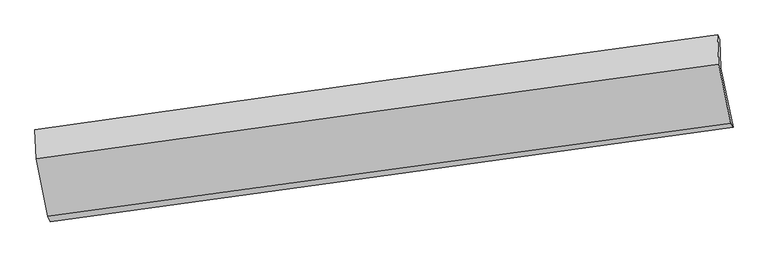
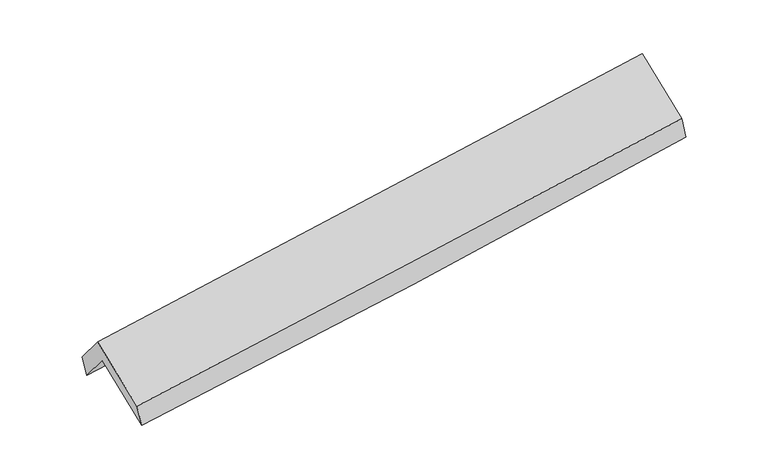
"""IFC4 building model written with IfcOpenShell, lengths in millimetres: proxy geometry."""

import ifcopenshell
import ifcopenshell.guid

model = None  # the IFC model being written
_history = None  # IfcOwnerHistory: only IFC2X3 demands one
_inside = {}  # id of a spatial element -> (the spatial element, [elements in it])
_under = {}  # id of a project, library or spatial element -> (it, [spatial elements below it])
_declared = {}  # id of a project -> (the project, [libraries it declares])
_typed = {}  # id of a type object -> (the type object, [elements of that type])
_made_of = {}  # id of a material, layer set ... -> (it, [elements and type objects made of it])


def new_model(schema):
    """Start an empty IFC model of exactly this schema.

    Asked for "IFC4X3", IfcOpenShell would pick the latest addendum, in which some entities
    have other attributes; the version numbers below select the first issue.
    IFC2X3 requires an IfcOwnerHistory on every rooted entity: one is made here for all.
    """
    global model, _history
    if schema == "IFC4X3":
        model = ifcopenshell.file(schema_version=(4, 3, 0, 0))
    else:
        model = ifcopenshell.file(schema=schema)
    _inside.clear()
    _under.clear()
    _declared.clear()
    _typed.clear()
    _made_of.clear()
    _history = None
    if model.schema == "IFC2X3":
        org = make("IfcOrganization", Name="unknown")
        user = make(
            "IfcPersonAndOrganization",
            ThePerson=make("IfcPerson", FamilyName="unknown"),
            TheOrganization=org,
        )
        app = make(
            "IfcApplication",
            ApplicationDeveloper=org,
            Version="unknown",
            ApplicationFullName="unknown",
            ApplicationIdentifier="unknown",
        )
        _history = make(
            "IfcOwnerHistory",
            OwningUser=user,
            OwningApplication=app,
            ChangeAction="ADDED",
            CreationDate=0,
        )
    return model


def make(cls, **values):
    """One entity of the class cls with the attributes given. An attribute that is None is left unset."""
    return model.create_entity(
        cls, **{name: value for name, value in values.items() if value is not None}
    )


def rooted(cls, **values):
    """An entity with a GlobalId (a new one), such as an element, a storey or a relation."""
    return make(cls, GlobalId=ifcopenshell.guid.new(), OwnerHistory=_history, **values)


def si_unit(unit_type, name, prefix=None):
    """IfcSIUnit, for example si_unit("LENGTHUNIT", "METRE", prefix="MILLI")."""
    return make("IfcSIUnit", UnitType=unit_type, Prefix=prefix, Name=name)


def assignment(units):
    """IfcUnitAssignment: the units of a project."""
    return None if units is None else make("IfcUnitAssignment", Units=units)


def point(xyz):
    """IfcCartesianPoint."""
    return None if xyz is None else make("IfcCartesianPoint", Coordinates=xyz)


def direction(xyz):
    """IfcDirection."""
    return None if xyz is None else make("IfcDirection", DirectionRatios=xyz)


def frame(location, z_axis=None, x_axis=None):
    """IfcAxis2Placement3D, a coordinate frame: its origin and axes. An axis left out is left unset."""
    return make(
        "IfcAxis2Placement3D",
        Location=point(location),
        Axis=direction(z_axis),
        RefDirection=direction(x_axis),
    )


def origin():
    """The frame at (0, 0, 0) with its axes left unset."""
    return frame((0.0, 0.0, 0.0))


def place(relative_to, where):
    """IfcLocalPlacement: puts the frame where relative to a parent placement (None: the world)."""
    return make(
        "IfcLocalPlacement", PlacementRelTo=relative_to, RelativePlacement=where
    )


def context(
    kind, dimensions, precision=None, world=None, true_north=None, identifier=None
):
    """IfcGeometricRepresentationContext, for example the 3D "Model" context."""
    return make(
        "IfcGeometricRepresentationContext",
        ContextIdentifier=identifier,
        ContextType=kind,
        CoordinateSpaceDimension=dimensions,
        Precision=precision,
        WorldCoordinateSystem=world,
        TrueNorth=true_north,
    )


def project(units=None, contexts=None):
    """IfcProject with its units and contexts."""
    return rooted(
        "IfcProject",
        Name="project",
        RepresentationContexts=contexts,
        UnitsInContext=assignment(units),
    )


def spatial(cls, under=None, at=None, **own):
    """A site, building, storey or space (cls), placed at a placement, below another one or the project."""
    s = rooted(cls, ObjectPlacement=at, **own)
    if under is not None:
        _under.setdefault(under.id(), (under, []))[1].append(s)
    return s


def shape(context_of_items, identifier, shape_type, items):
    """IfcShapeRepresentation: the items that make up one representation, for example the "Body"."""
    return make(
        "IfcShapeRepresentation",
        ContextOfItems=context_of_items,
        RepresentationIdentifier=identifier,
        RepresentationType=shape_type,
        Items=items,
    )


def source(mapping_origin, context_of_items, identifier, shape_type, items):
    """IfcRepresentationMap: a shape defined once, which mapped items show again and again."""
    return make(
        "IfcRepresentationMap",
        MappingOrigin=mapping_origin,
        MappedRepresentation=shape(context_of_items, identifier, shape_type, items),
    )


def transform(
    local_origin,
    x_axis=None,
    y_axis=None,
    z_axis=None,
    scale=None,
    scale2=None,
    scale3=None,
    uniform=True,
):
    """IfcCartesianTransformationOperator3D, or its non-uniform kind. x_axis, y_axis, z_axis: its Axis1, 2, 3."""
    if uniform:
        return make(
            "IfcCartesianTransformationOperator3D",
            Axis1=direction(x_axis),
            Axis2=direction(y_axis),
            LocalOrigin=point(local_origin),
            Scale=scale,
            Axis3=direction(z_axis),
        )
    return make(
        "IfcCartesianTransformationOperator3DnonUniform",
        Axis1=direction(x_axis),
        Axis2=direction(y_axis),
        LocalOrigin=point(local_origin),
        Scale=scale,
        Axis3=direction(z_axis),
        Scale2=scale2,
        Scale3=scale3,
    )


def mapped(mapping_source, mapping_target):
    """IfcMappedItem: shows the shape of a source again, moved by a transform."""
    return make(
        "IfcMappedItem", MappingSource=mapping_source, MappingTarget=mapping_target
    )


def made_of(thing, what):
    """Note that an element or type object is made of a material, layer set ...; save() writes the relation."""
    if what is not None:
        _made_of.setdefault(what.id(), (what, []))[1].append(thing)
    return thing


def element(
    cls,
    number,
    at=None,
    inside=None,
    cuts=None,
    type_object=None,
    material=None,
    context=None,
    identifier="Body",
    shape_type=None,
    held_by="IfcProductDefinitionShape",
    body=None,
    shapes=None,
    **own,
):
    """One element of the class cls, such as IfcWall. Its Tag is "e" and its number.

    at: its placement. inside: the storey or other place that contains it. cuts: it is an
    opening in that element (IfcRelVoidsElement). A single representation is given by context,
    identifier, shape_type and body (its items); several are given by shapes. held_by: the class
    of the entity that holds the representations. save() writes the other relations.
    """
    e = rooted(cls, Tag="e%d" % number, ObjectPlacement=at, **own)
    if body is not None:
        shapes = [shape(context, identifier, shape_type, body)]
    if shapes is not None:
        e.Representation = make(held_by, Representations=shapes)
    if inside is not None:
        _inside.setdefault(inside.id(), (inside, []))[1].append(e)
    if cuts is not None:
        rooted(
            "IfcRelVoidsElement", RelatingBuildingElement=cuts, RelatedOpeningElement=e
        )
    if type_object is not None:
        _typed.setdefault(type_object.id(), (type_object, []))[1].append(e)
    return made_of(e, material)


def aggregate(whole, parts):
    """IfcRelAggregates: a whole, such as a stair, and the parts it consists of."""
    return rooted("IfcRelAggregates", RelatingObject=whole, RelatedObjects=parts)


def save(model, path):
    """Write the relations noted so far, then the file.

    IfcRelAggregates (storeys below a building ...), IfcRelContainedInSpatialStructure (elements
    in a storey), IfcRelDefinesByType, IfcRelAssociatesMaterial and IfcRelDeclares: one each for
    every whole, place, type object, material and project.
    """
    for whole, parts in _under.values():
        aggregate(whole, parts)
    for where, things in _inside.values():
        rooted(
            "IfcRelContainedInSpatialStructure",
            RelatedElements=things,
            RelatingStructure=where,
        )
    for kind, things in _typed.values():
        rooted("IfcRelDefinesByType", RelatedObjects=things, RelatingType=kind)
    for what, things in _made_of.values():
        rooted("IfcRelAssociatesMaterial", RelatedObjects=things, RelatingMaterial=what)
    for by, libraries in _declared.values():
        rooted("IfcRelDeclares", RelatingContext=by, RelatedDefinitions=libraries)
    model.write(path)


def plane_surface(at):
    """IfcPlane: the flat surface through the origin of the frame at, square to its z axis."""
    return make("IfcPlane", Position=at)


def spline_curve(degree, points, multiplicities, knots, weights=None):
    """IfcBSplineCurveWithKnots; with weights, IfcRationalBSplineCurveWithKnots."""
    own = dict(
        Degree=degree,
        ControlPointsList=[point(p) for p in points],
        CurveForm="UNSPECIFIED",
        ClosedCurve=False,
        SelfIntersect=False,
        KnotMultiplicities=multiplicities,
        Knots=knots,
        KnotSpec="UNSPECIFIED",
    )
    if weights is None:
        return make("IfcBSplineCurveWithKnots", **own)
    return make("IfcRationalBSplineCurveWithKnots", WeightsData=weights, **own)


def spline_surface(u_degree, v_degree, points, u_multiplicities, v_multiplicities, u_knots, v_knots, weights=None):
    """IfcBSplineSurfaceWithKnots; with weights, IfcRationalBSplineSurfaceWithKnots. points: one row for each step in u."""
    own = dict(
        UDegree=u_degree,
        VDegree=v_degree,
        ControlPointsList=[[point(p) for p in row] for row in points],
        SurfaceForm="UNSPECIFIED",
        UClosed=False,
        VClosed=False,
        SelfIntersect=False,
        UMultiplicities=u_multiplicities,
        VMultiplicities=v_multiplicities,
        UKnots=u_knots,
        VKnots=v_knots,
        KnotSpec="UNSPECIFIED",
    )
    if weights is None:
        return make("IfcBSplineSurfaceWithKnots", **own)
    return make("IfcRationalBSplineSurfaceWithKnots", WeightsData=weights, **own)


def advanced_brep(points, edges, surfaces, faces):
    """IfcAdvancedBrep: a solid bounded by faces that lie on surfaces and meet in shared edges.

    An edge is (start, end): straight between two places in points (the first is 0);
    or (start, end, curve); or (start, end, curve, False) where it runs against its curve.
    A face is (place in surfaces, loops), or (place, loops, False) where it looks against
    its surface's normal. A loop lists edges by number (the first is 1), with a minus sign
    where the edge is run from its end to its start. The first loop is the outer one.
    """
    corners = [point(p) for p in points]
    vertices = [make("IfcVertexPoint", VertexGeometry=c) for c in corners]
    made = []
    for start, end, *more in edges:
        made.append(
            make(
                "IfcEdgeCurve",
                EdgeStart=vertices[start],
                EdgeEnd=vertices[end],
                EdgeGeometry=more[0] if more else make("IfcPolyline", Points=[corners[start], corners[end]]),
                SameSense=more[1] if len(more) > 1 else True,
            )
        )
    hull = []
    for where, loops, *sense in faces:
        bounds = []
        for j, loop in enumerate(loops):
            ring = [make("IfcOrientedEdge", EdgeElement=made[abs(k) - 1], Orientation=k > 0) for k in loop]
            bounds.append(
                make(
                    "IfcFaceOuterBound" if j == 0 else "IfcFaceBound",
                    Bound=make("IfcEdgeLoop", EdgeList=ring),
                    Orientation=True,
                )
            )
        hull.append(make("IfcAdvancedFace", Bounds=bounds, FaceSurface=surfaces[where], SameSense=sense[0] if sense else True))
    return make("IfcAdvancedBrep", Outer=make("IfcClosedShell", CfsFaces=hull))


def generic_models_9bbb4a9a(model_context):
    return source(origin(), model_context, "Body", "AdvancedBrep", [
        advanced_brep(
        [(-2890.6689345, -2507.1457413, 1460.8787769), (-2995.4923426, -1998.6425801, 1879.1123924), (2942.5776645, -1173.2410778, 2368.9835409), (3048.0935251, -1685.5709252, 1947.6057369), (-3005.6600465, -1747.5686791, 1571.2995315), (2932.4099606, -922.1671769, 2061.17068), (-3025.7615466, -1705.9060485, 1747.9449482), (2913.01866, -881.9553694, 2231.7876853), (-3015.5706759, -1957.552013, 2056.4591504), (2923.4330478, -1139.1207021, 2547.0685507), (-2912.0035813, -2459.9607397, 1643.2380846), (3028.4791537, -1649.169666, 2127.5667132)],
        [
            (0, 1),
            (1, 2, spline_curve(3, [(-2995.4923426, -1998.6425801, 1879.1123924), (-2007.817062847, -1856.961756101, 1944.018391489), (-1020.541227159, -1717.526400047, 2017.154930182), (958.819994766, -1442.366971402, 2180.351498598), (1950.90082828, -1306.668493352, 2270.505342649), (2942.5776645, -1173.2410778, 2368.9835409)], [4, 2, 4], [0.0, 9.839732310194265, 19.735384021248638])),
            (2, 3),
            (3, 0, spline_curve(3, [(3048.0935251, -1685.5709252, 1947.6057369), (2056.733631761, -1822.236449341, 1846.475839124), (1064.752788921, -1959.22869424, 1755.263404593), (-914.841695375, -2233.09064835, 1593.132853471), (-1902.448339406, -2369.956675727, 1522.102967585), (-2890.6689345, -2507.1457413, 1460.8787769)], [4, 2, 4], [0.0, 9.895651711054374, 19.735384021248638])),
            (1, 4),
            (4, 5, spline_curve(3, [(-3005.6600465, -1747.5686791, 1571.2995315), (-2017.986251531, -1605.851194971, 1636.160585658), (-1030.711159976, -1466.397456954, 1709.274588089), (948.650053358, -1191.237819704, 1872.470901368), (1940.731631211, -1055.557723643, 1962.64728134), (2932.4099606, -922.1671769, 2061.17068)], [4, 2, 4], [0.0, 9.839761271525164, 19.735442108498276])),
            (5, 2),
            (4, 6),
            (6, 7, spline_curve(3, [(-3025.7615466, -1705.9060485, 1747.9449482), (-2038.884938898, -1565.698141155, 1826.35581589), (-1051.95072248, -1427.121547913, 1905.764397085), (927.6420231, -1152.452727454, 2067.033936939), (1920.30120896, -1016.379094267, 2148.906268244), (2913.01866, -881.9553694, 2231.7876853)], [4, 2, 4], [0.0, 9.839535284134527, 19.734988849426017])),
            (7, 5),
            (6, 8),
            (8, 9, spline_curve(3, [(-3015.5706759, -1957.552013, 2056.4591504), (-2028.66746943, -1818.000919342, 2135.675261904), (-1041.70139488, -1680.211008245, 2216.048303569), (937.96579664, -1407.380496896, 2379.571583134), (1930.667629783, -1272.359970974, 2462.73500842), (2923.4330478, -1139.1207021, 2547.0685507)], [4, 2, 4], [0.0, 9.839453666630707, 19.734825150584427])),
            (9, 7),
            (8, 10),
            (10, 11, spline_curve(3, [(-2912.0035813, -2459.9607397, 1643.2380846), (-1924.680490727, -2324.270561091, 1719.291091589), (-937.381325287, -2189.049660893, 1797.557664083), (1042.779858754, -1918.780620471, 1958.975308991), (2035.641605613, -1783.737829727, 2042.151613158), (3028.4791537, -1649.169666, 2127.5667132)], [4, 2, 4], [0.0, 9.83939753709577, 19.734712572529254])),
            (11, 9),
            (10, 0),
            (3, 11),
        ],
        [
            spline_surface(3, 3, [[(-2890.6689345, -2507.1457413, 1460.8787769), (-1902.448339302, -2369.956675591, 1522.10296771), (-914.841695518, -2233.090648361, 1593.132853343), (1064.752789065, -1959.228694228, 1755.263404722), (2056.733631766, -1822.23644942, 1846.475839087), (3048.0935251, -1685.5709252, 1947.6057369)], [(-2925.610070542, -2337.644687564, 1600.28998207), (-1937.571247163, -2198.958369076, 1662.741442257), (-950.074872754, -2061.23589894, 1734.473545619), (1029.44185765, -1786.94145329, 1896.959435996), (2021.456030557, -1650.380464039, 1987.819006915), (3012.92157155, -1514.794309416, 2088.065004917)], [(-2960.551206558, -2168.143633836, 1739.70118723), (-1972.694154997, -2027.960062568, 1803.379916795), (-985.308049983, -1889.381149488, 1875.814237928), (994.130926242, -1614.654212321, 2038.655467303), (1986.1784294, -1478.524478611, 2129.16217469), (2977.74961805, -1344.017693584, 2228.524272883)], [(-2995.4923426, -1998.6425801, 1879.1123924), (-2007.817062858, -1856.961756053, 1944.018391341), (-1020.54122722, -1717.526400066, 2017.154930203), (958.819994827, -1442.366971383, 2180.351498577), (1950.900828191, -1306.66849323, 2270.505342518), (2942.5776645, -1173.2410778, 2368.9835409)]], [4, 4], [4, 2, 4], [0.0, 2.2201527345194867], [0.0, 9.839732310194265, 19.735384021248638]),
            spline_surface(3, 3, [[(-2995.4923426, -1998.6425801, 1879.1123924), (-2007.817062858, -1856.961756053, 1944.018391341), (-1020.54122722, -1717.526400066, 2017.154930203), (958.819994827, -1442.366971383, 2180.351498577), (1950.900828191, -1306.66849323, 2270.505342518), (2942.5776645, -1173.2410778, 2368.9835409)], [(-2998.881577226, -1914.951279775, 1776.508105432), (-2011.20679236, -1773.258235648, 1841.399122737), (-1023.93120486, -1633.816752308, 1914.528149555), (955.430014375, -1358.657254177, 2077.724632788), (1947.511095877, -1222.964903377, 2167.885988773), (2939.188429874, -1089.549777475, 2266.379253932)], [(-3002.270811874, -1831.259979425, 1673.903818468), (-2014.596521882, -1689.554715218, 1738.779854136), (-1027.321182473, -1550.1071046, 1811.9013689), (952.04003395, -1274.947537022, 1975.097766993), (1944.121363542, -1139.2613136, 2065.266635031), (2935.799195226, -1005.858477225, 2163.774966968)], [(-3005.6600465, -1747.5686791, 1571.2995315), (-2017.986251384, -1605.851194812, 1636.160585531), (-1030.711160113, -1466.397456842, 1709.274588253), (948.650053497, -1191.237819817, 1872.470901204), (1940.731631228, -1055.557723747, 1962.647281286), (2932.4099606, -922.1671769, 2061.17068)]], [4, 4], [4, 2, 4], [0.0, 1.303941367597222], [0.0, 9.839761271525164, 19.735442108498276]),
            spline_surface(3, 3, [[(-3005.6600465, -1747.5686791, 1571.2995315), (-2017.986251384, -1605.851194812, 1636.160585531), (-1030.711160113, -1466.397456842, 1709.274588253), (948.650053497, -1191.237819817, 1872.470901204), (1940.731631228, -1055.557723747, 1962.647281286), (2932.4099606, -922.1671769, 2061.17068)], [(-3012.360546509, -1733.681135573, 1630.181337083), (-2024.952480553, -1592.466843597, 1699.558995628), (-1037.791014203, -1453.305487255, 1774.771191154), (941.64737672, -1178.309455689, 1937.325246482), (1933.921490422, -1042.498180558, 2024.733610264), (2925.946193738, -908.763241075, 2118.043015095)], [(-3019.061046591, -1719.793592027, 1689.063142617), (-2031.918709794, -1579.082492364, 1762.957405677), (-1044.870868376, -1440.213517594, 1840.26779407), (934.644699862, -1165.381091487, 2002.179591776), (1927.111349603, -1029.438637346, 2086.819939258), (2919.482426862, -895.359305225, 2174.915350205)], [(-3025.7615466, -1705.9060485, 1747.9449482), (-2038.884938963, -1565.698141149, 1826.355815773), (-1051.950722465, -1427.121548008, 1905.76439697), (927.642023085, -1152.452727359, 2067.033937054), (1920.301208796, -1016.379094157, 2148.906268237), (2913.01866, -881.9553694, 2231.7876853)]], [4, 4], [4, 2, 4], [0.0, 0.6577886595102003], [0.0, 9.839535284134527, 19.734988849426017]),
            spline_surface(3, 3, [[(-3025.7615466, -1705.9060485, 1747.9449482), (-2038.884938963, -1565.698141149, 1826.355815773), (-1051.950722465, -1427.121548008, 1905.76439697), (927.642023085, -1152.452727359, 2067.033937054), (1920.301208796, -1016.379094157, 2148.906268237), (2913.01866, -881.9553694, 2231.7876853)], [(-3022.364589716, -1789.788036652, 1850.783015602), (-2035.47911578, -1649.799067236, 1929.462297821), (-1048.5342799, -1511.484701426, 2009.192365818), (931.083280898, -1237.428650487, 2171.213152435), (1923.756682456, -1101.706053092, 2253.515848285), (2916.490122573, -967.677146965, 2336.881307104)], [(-3018.967632784, -1873.670024848, 1953.621082998), (-2032.07329255, -1733.899993366, 2032.568779862), (-1045.117837332, -1595.847854911, 2112.620334663), (934.524538713, -1322.404573683, 2275.392367813), (1927.212156196, -1187.033012032, 2358.12542832), (2919.961585227, -1053.398924535, 2441.974928896)], [(-3015.5706759, -1957.552013, 2056.4591504), (-2028.667469368, -1818.000919454, 2135.67526191), (-1041.701394767, -1680.211008329, 2216.04830351), (937.965796526, -1407.380496811, 2379.571583193), (1930.667629855, -1272.359970968, 2462.735008368), (2923.4330478, -1139.1207021, 2547.0685507)]], [4, 4], [4, 2, 4], [0.0, 1.318920052459638], [0.0, 9.839453666630707, 19.734825150584427]),
            spline_surface(3, 3, [[(-3015.5706759, -1957.552013, 2056.4591504), (-2028.667469368, -1818.000919454, 2135.67526191), (-1041.701394767, -1680.211008329, 2216.04830351), (937.965796526, -1407.380496811, 2379.571583193), (1930.667629855, -1272.359970968, 2462.735008368), (2923.4330478, -1139.1207021, 2547.0685507)], [(-2981.048311027, -2125.021588583, 1918.718795123), (-1994.005143096, -1986.757466672, 1996.880538489), (-1006.928038349, -1849.823892488, 2076.551423665), (972.903817301, -1577.847204736, 2239.372825195), (1965.658955072, -1442.819257198, 2322.540543271), (2958.448416437, -1309.137023422, 2407.234604851)], [(-2946.525946173, -2292.491164117, 1780.978439877), (-1959.342816842, -2155.514013842, 1858.085815097), (-972.154681866, -2019.436776633, 1937.05454377), (1007.84183814, -1748.313912647, 2099.174067148), (2000.650280276, -1613.278543364, 2182.346078221), (2993.463785063, -1479.153344678, 2267.400659049)], [(-2912.0035813, -2459.9607397, 1643.2380846), (-1924.68049057, -2324.27056106, 1719.291091676), (-937.381325447, -2189.049660792, 1797.557663925), (1042.779858915, -1918.780620572, 1958.97530915), (2035.641605493, -1783.737829594, 2042.151613123), (3028.4791537, -1649.169666, 2127.5667132)]], [4, 4], [4, 2, 4], [0.0, 2.1939607646633714], [0.0, 9.83939753709577, 19.734712572529254]),
            spline_surface(3, 3, [[(-2912.0035813, -2459.9607397, 1643.2380846), (-1924.68049057, -2324.27056106, 1719.291091676), (-937.381325447, -2189.049660792, 1797.557663925), (1042.779858915, -1918.780620572, 1958.97530915), (2035.641605493, -1783.737829594, 2042.151613123), (3028.4791537, -1649.169666, 2127.5667132)], [(-2904.892032379, -2475.689073553, 1582.451648689), (-1917.269773493, -2339.49926589, 1653.56171701), (-929.868115464, -2203.729989982, 1729.416060395), (1050.104168971, -1932.263311791, 1891.071341004), (2042.672280946, -1796.570702851, 1976.926355112), (3035.017277528, -1661.303419048, 2067.579721101)], [(-2897.780483421, -2491.417407447, 1521.665212811), (-1909.859056379, -2354.727970761, 1587.832342376), (-922.354905501, -2218.410319172, 1661.274456873), (1057.428479008, -1945.74600301, 1823.167372867), (2049.702956313, -1809.403576163, 1911.701097098), (3041.555401272, -1673.437172152, 2007.592728999)], [(-2890.6689345, -2507.1457413, 1460.8787769), (-1902.448339302, -2369.956675591, 1522.10296771), (-914.841695518, -2233.090648361, 1593.132853343), (1064.752789065, -1959.228694228, 1755.263404722), (2056.733631766, -1822.23644942, 1846.475839087), (3048.0935251, -1685.5709252, 1947.6057369)]], [4, 4], [4, 2, 4], [0.0, 0.6875845599076686], [0.0, 9.839453810847896, 19.734825439838396]),
            plane_surface(frame((2964.6686686, -1241.8708196, 2214.0304845), z_axis=(0.987252915948474, 0.13774245275230168, 0.07974143628638418), x_axis=(0.15708885183050553, -0.7627413261122553, -0.6273346491874108))),
            plane_surface(frame((-2974.1928546, -2062.7959669, 1726.488814), z_axis=(-0.9872307119353696, -0.13785021461291308, -0.07983006791151706), x_axis=(-0.11254274814663368, 0.24890638246263205, 0.961966601607857))),
        ],
        [
            (0, [[1, 2, 3, 4]]),
            (1, [[5, 6, 7, -2]]),
            (2, [[8, 9, 10, -6]]),
            (3, [[11, 12, 13, -9]]),
            (4, [[14, 15, 16, -12]]),
            (5, [[17, -4, 18, -15]]),
            (6, [[-16, -18, -3, -7, -10, -13]]),
            (7, [[-17, -14, -11, -8, -5, -1]]),
        ],
    ),
    ])


if __name__ == "__main__":
    model = new_model("IFC4")
    model_context = context("Model", 3, world=origin())
    ifc_project = project(units=[si_unit("LENGTHUNIT", "METRE", prefix="MILLI")], contexts=[model_context])
    site = spatial("IfcSite", under=ifc_project)
    building = spatial("IfcBuilding", under=site)
    placement = place(None, origin())
    generic_models_shape = generic_models_9bbb4a9a(model_context)
    element("IfcBuildingElementProxy", 1, Name="Generic Models", at=placement, inside=building, context=model_context, shape_type="MappedRepresentation", body=[
        mapped(generic_models_shape, transform((0.0, 0.0, 0.0), x_axis=(1.0, 0.0, 0.0), y_axis=(0.0, 1.0, 0.0), z_axis=(0.0, 0.0, 1.0))),
    ])
    save(model, "model.ifc")
